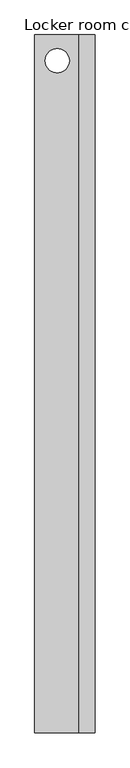
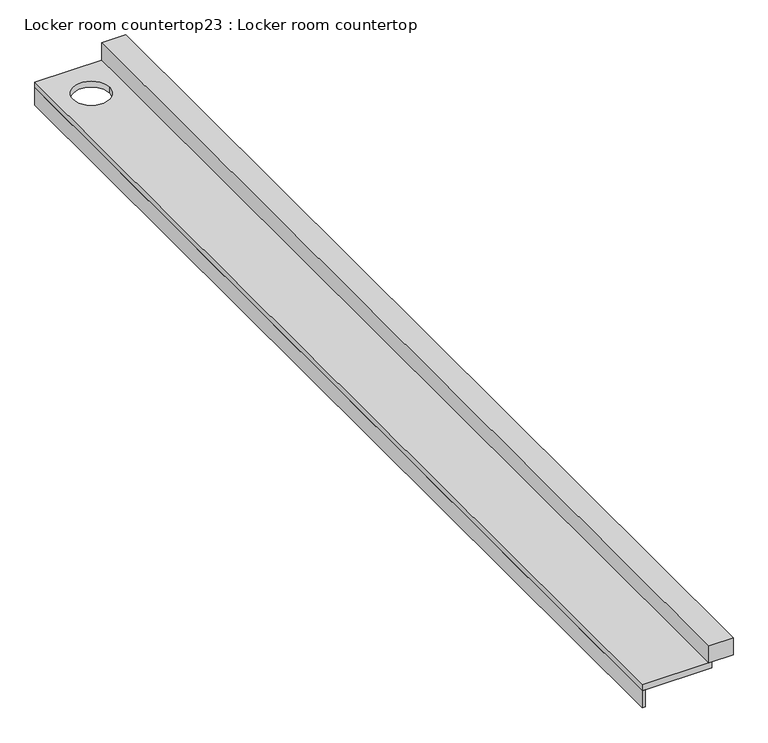
"""IFC4 building model written with IfcOpenShell, lengths in millimetres: furniture geometry, Locker room countertop23 : Locker room countertop."""

from ifc_helpers import new_model, si_unit, point, frame, frame_2d, origin, place, context, project, spatial, polyline, circle_curve, trimmed, segment, composite_curve, outline, extrude, source, transform, mapped, element, save


def locker_room_countertop23_locker_room_countertop_6d61d9c5(model_context):
    return source(origin(), model_context, "Body", "SweptSolid", [
        extrude(outline(polyline([(451232.3754676, -193625.0080223), (451232.3754676, -184819.1455223), (451257.7754676, -184819.1455223), (451257.7754676, -193625.0080223), (451232.3754676, -193625.0080223)])), frame((0.0, 0.0, 660.4), z_axis=(0.0, 0.0, 1.0), x_axis=(1.0, 0.0, 0.0)), (0.0, 0.0, 1.0), 152.4),
        extrude(outline(polyline([(451791.1754676, -184819.1455223), (451994.3754676, -184819.1455223), (451994.3754676, -193625.0080223), (451791.1754676, -193625.0080223), (451791.1754676, -184819.1455223)])), frame((0.0, 0.0, 863.6), z_axis=(0.0, 0.0, 1.0), x_axis=(1.0, 0.0, 0.0)), (0.0, 0.0, 1.0), 152.4),
        extrude(outline(polyline([(451232.3754676, -184819.1455223), (451816.5754676, -184819.1455223), (451816.5754676, -193625.0080223), (451232.3754676, -193625.0080223), (451232.3754676, -184819.1455223)]), holes=[composite_curve([segment(trimmed(circle_curve(frame_2d((451516.6268302, -185145.253905)), 152.4), [point((451669.0268302, -185145.253905))], [point((451364.2268302, -185145.253905))], True, "CARTESIAN"), True, "CONTINUOUS"), segment(trimmed(circle_curve(frame_2d((451516.6268302, -185145.253905)), 152.4), [point((451364.2268302, -185145.253905))], [point((451669.0268302, -185145.253905))], True, "CARTESIAN"), True, "CONTINUOUS")], self_intersect=False)]), frame((0.0, 0.0, 812.8), z_axis=(0.0, 0.0, 1.0), x_axis=(1.0, 0.0, 0.0)), (0.0, 0.0, 1.0), 50.8),
    ])


if __name__ == "__main__":
    model = new_model("IFC4")
    model_context = context("Model", 3, world=origin())
    ifc_project = project(units=[si_unit("LENGTHUNIT", "METRE", prefix="MILLI")], contexts=[model_context])
    site = spatial("IfcSite", under=ifc_project)
    building = spatial("IfcBuilding", under=site)
    placement = place(None, origin())
    locker_room_countertop23_locker_room_countertop_shape = locker_room_countertop23_locker_room_countertop_6d61d9c5(model_context)
    element("IfcFurniture", 1, ObjectType="Locker room countertop23 : Locker room countertop", at=placement, inside=building, context=model_context, shape_type="MappedRepresentation", body=[
        mapped(locker_room_countertop23_locker_room_countertop_shape, transform((0.0, 0.0, 0.0), x_axis=(1.0, 0.0, 0.0), y_axis=(0.0, 1.0, 0.0), z_axis=(0.0, 0.0, 1.0))),
    ])
    save(model, "model.ifc")
